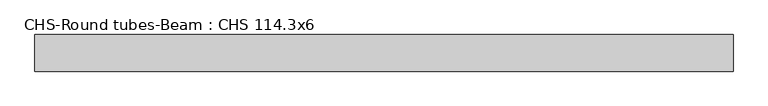
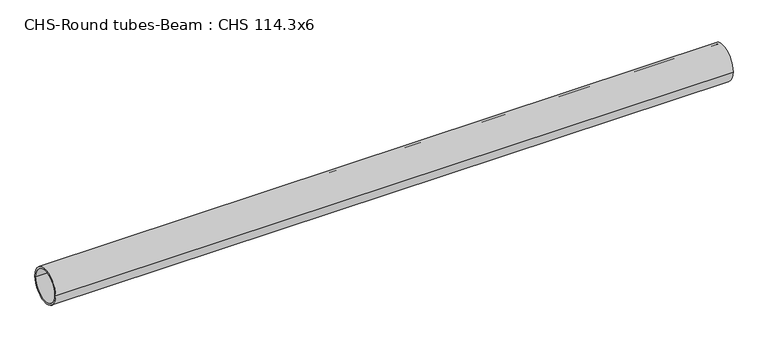
"""IFC4 building model written with IfcOpenShell, lengths in millimetres: beam geometry, CHS-Round tubes-Beam : CHS 114.3x6."""

from ifc_helpers import new_model, si_unit, point, frame, origin, origin_2d, place, context, project, spatial, circle_curve, trimmed, segment, composite_curve, outline, extrude, source, transform, mapped, element, save


def chs_round_tubes_beam_chs_114_3x6_e16498e2(model_context):
    return source(origin(), model_context, "Body", "SweptSolid", [
        extrude(outline(composite_curve([segment(trimmed(circle_curve(origin_2d(), 57.15), [point((57.15, 0.0))], [point((-57.15, 0.0))], False, "CARTESIAN"), True, "CONTINUOUS"), segment(trimmed(circle_curve(origin_2d(), 57.15), [point((-57.15, 0.0))], [point((57.15, 0.0))], False, "CARTESIAN"), True, "CONTINUOUS")], self_intersect=False), holes=[composite_curve([segment(trimmed(circle_curve(origin_2d(), 51.15), [point((51.15, 0.0))], [point((-51.15, 0.0))], True, "CARTESIAN"), True, "CONTINUOUS"), segment(trimmed(circle_curve(origin_2d(), 51.15), [point((-51.15, 0.0))], [point((51.15, 0.0))], True, "CARTESIAN"), True, "CONTINUOUS")], self_intersect=False)]), frame((-1077.4874058, 0.0, 0.0), z_axis=(1.0, 0.0, 0.0), x_axis=(0.0, 1.0, 0.0)), (0.0, 0.0, 1.0), 2180.8458726),
    ])


if __name__ == "__main__":
    model = new_model("IFC4")
    model_context = context("Model", 3, world=origin())
    ifc_project = project(units=[si_unit("LENGTHUNIT", "METRE", prefix="MILLI")], contexts=[model_context])
    site = spatial("IfcSite", under=ifc_project)
    building = spatial("IfcBuilding", under=site)
    placement = place(None, origin())
    chs_round_tubes_beam_chs_114_3x6_shape = chs_round_tubes_beam_chs_114_3x6_e16498e2(model_context)
    element("IfcBeam", 1, ObjectType="CHS-Round tubes-Beam : CHS 114.3x6", at=placement, inside=building, context=model_context, shape_type="MappedRepresentation", body=[
        mapped(chs_round_tubes_beam_chs_114_3x6_shape, transform((0.0, 0.0, 0.0), x_axis=(1.0, 0.0, 0.0), y_axis=(0.0, 1.0, 0.0), z_axis=(0.0, 0.0, 1.0))),
    ])
    save(model, "model.ifc")
